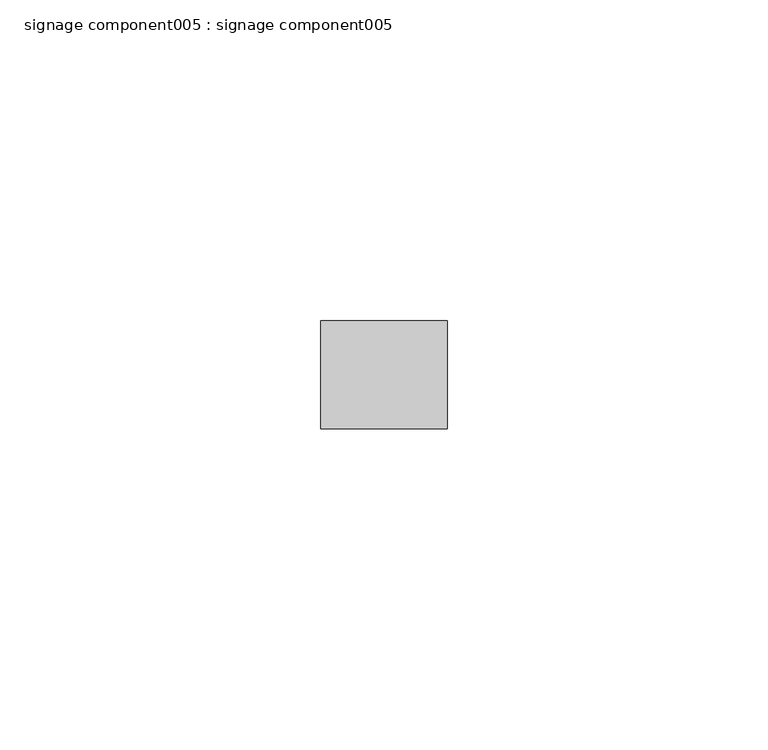
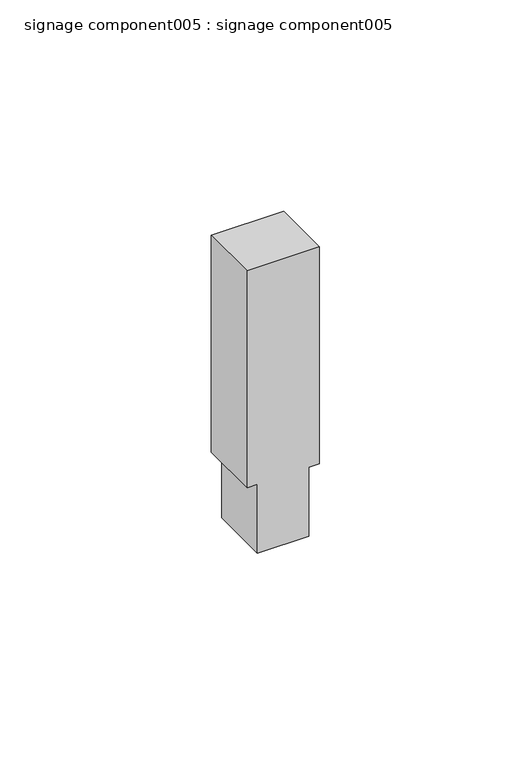
"""IFC4 building model written with IfcOpenShell, lengths in millimetres: proxy geometry, signage component005 : signage component005."""

from ifc_helpers import new_model, si_unit, frame, origin, place, context, project, spatial, polyline, outline, extrude, source, transform, mapped, element, save


def signage_component005_signage_component005_2d1c2459(model_context):
    return source(origin(), model_context, "Body", "SweptSolid", [
        extrude(outline(polyline([(3255.5602409, 39601.4551081), (3275.4151596, 39601.4551081), (3275.4151596, 39604.2225587), (3338.1039588, 39604.2225587), (3338.1039588, 39584.5367469), (3275.4151596, 39584.5367469), (3275.4151596, 39587.3041973), (3255.5602409, 39587.3041973), (3255.5602409, 39601.4551081)])), frame((0.0, -25110.0893227, 0.0), z_axis=(0.0, 1.0, 0.0), x_axis=(0.0, 0.0, 1.0)), (0.0, 0.0, 1.0), 16.8334581),
    ])


if __name__ == "__main__":
    model = new_model("IFC4")
    model_context = context("Model", 3, world=origin())
    ifc_project = project(units=[si_unit("LENGTHUNIT", "METRE", prefix="MILLI")], contexts=[model_context])
    site = spatial("IfcSite", under=ifc_project)
    building = spatial("IfcBuilding", under=site)
    placement = place(None, origin())
    signage_component005_signage_component005_shape = signage_component005_signage_component005_2d1c2459(model_context)
    element("IfcBuildingElementProxy", 1, Name="signage component005 : signage component005", ObjectType="signage component005 : signage component005", at=placement, inside=building, context=model_context, shape_type="MappedRepresentation", body=[
        mapped(signage_component005_signage_component005_shape, transform((0.0, 0.0, 0.0), x_axis=(1.0, 0.0, 0.0), y_axis=(0.0, 1.0, 0.0), z_axis=(0.0, 0.0, 1.0))),
    ])
    save(model, "model.ifc")
